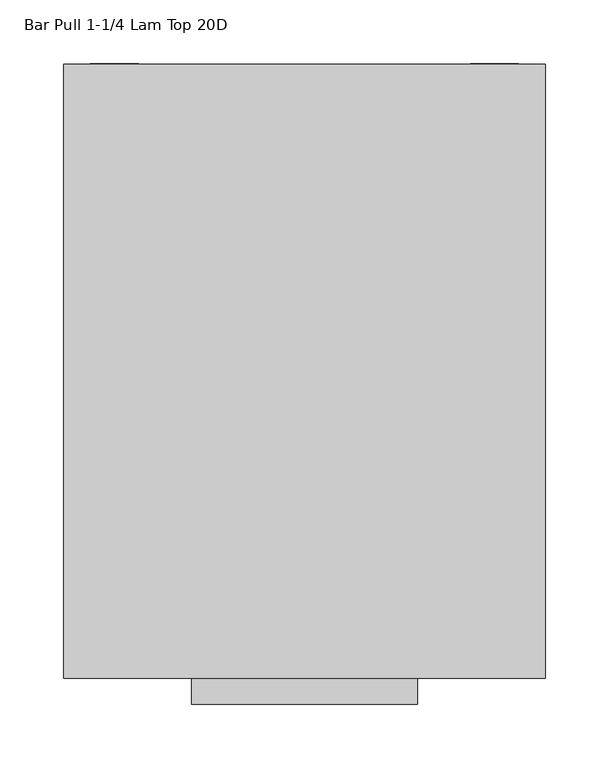
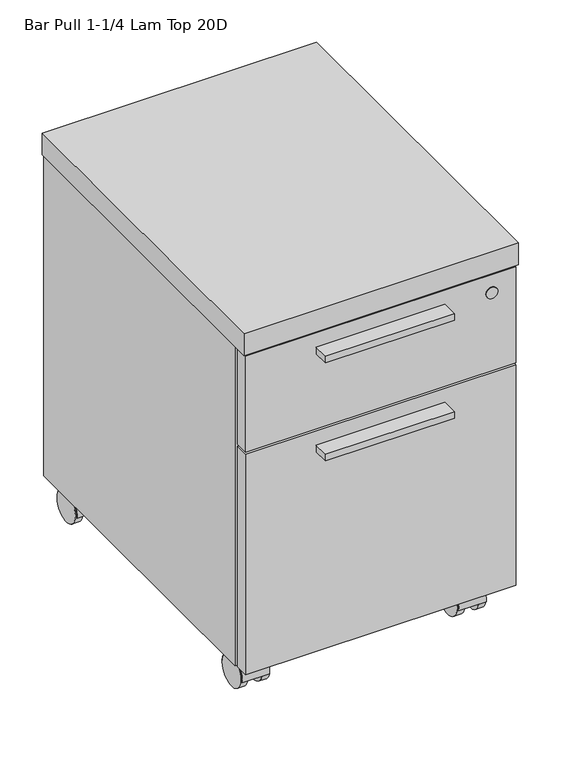
"""IFC4 building model written with IfcOpenShell, lengths in millimetres: furniture geometry, Bar Pull 1-1/4 Lam Top 20D."""

from ifc_helpers import new_model, si_unit, point, frame, frame_2d, origin, place, context, project, spatial, polyline, circle_curve, trimmed, segment, composite_curve, outline, extrude, source, transform, mapped, element, save
from ifc_brep_helpers import plane_surface, revolved_surface, advanced_brep


def bar_pull_1_1_4_lam_top_20d_2d6b6153(model_context):
    return source(origin(), model_context, "Body", "SolidModel", [
        extrude(outline(composite_curve([segment(trimmed(circle_curve(frame_2d((38.552757, -443.2433984)), 2.8952236), [point((35.6575335, -443.2433984))], [point((41.4479806, -443.2433984))], False, "CARTESIAN"), True, "CONTINUOUS"), segment(trimmed(circle_curve(frame_2d((38.552757, -443.2433984)), 2.8952236), [point((41.4479806, -443.2433984))], [point((35.6575335, -443.2433984))], False, "CARTESIAN"), True, "CONTINUOUS")], self_intersect=False)), frame((0.0, 0.0, 47.4178766), z_axis=(0.0, 0.0, 1.0), x_axis=(1.0, 0.0, 0.0)), (0.0, 0.0, 1.0), 2.54),
        extrude(outline(composite_curve([segment(trimmed(circle_curve(frame_2d((38.552757, -443.5086607)), 7.4123574), [point((31.1403996, -443.5086607))], [point((45.9651144, -443.5086607))], False, "CARTESIAN"), True, "CONTINUOUS"), segment(trimmed(circle_curve(frame_2d((38.552757, -443.5086607)), 7.4123574), [point((45.9651144, -443.5086607))], [point((31.1403996, -443.5086607))], False, "CARTESIAN"), True, "CONTINUOUS")], self_intersect=False)), frame((0.0, 0.0, 49.9578766), z_axis=(0.0, 0.0, 1.0), x_axis=(1.0, 0.0, 0.0)), (0.0, 0.0, 1.0), 4.7226624),
        advanced_brep(
        [(30.3783996, -443.5086607, 54.680539), (46.7271144, -443.5086607, 54.680539), (25.852757, -443.5086607, 57.5818), (51.252757, -443.5086607, 57.5818)],
        [
            (0, 1, circle_curve(frame((38.552757, -443.5086607, 54.680539), z_axis=(0.0, 0.0, -1.0), x_axis=(-1.0, 0.0, 0.0)), 8.1743574)),
            (1, 0, circle_curve(frame((38.552757, -443.5086607, 54.680539), z_axis=(0.0, 0.0, -1.0), x_axis=(1.0, 0.0, 0.0)), 8.1743574)),
            (2, 3, circle_curve(frame((38.552757, -443.5086607, 57.5818), z_axis=(0.0, 0.0, 1.0), x_axis=(1.0, 0.0, 0.0)), 12.7)),
            (3, 2, circle_curve(frame((38.552757, -443.5086607, 57.5818), z_axis=(0.0, 0.0, 1.0), x_axis=(-1.0, 0.0, 0.0)), 12.7)),
            (2, 0),
            (1, 3),
        ],
        [
            plane_surface(frame((38.552757, -443.5086607, 54.680539), z_axis=(0.0, 0.0, -1.0), x_axis=(0.0, -1.0, 0.0))),
            plane_surface(frame((38.552757, -443.5086607, 57.5818), z_axis=(0.0, 0.0, 1.0), x_axis=(0.0, -1.0, 0.0))),
            revolved_surface(polyline([(46.72711441053413, -443.5086607, 54.680539), (51.252757, -443.5086607, 57.5818)]), (38.552757, -443.5086607, 49.4401905), (0.0, 0.0, 1.0)),
            revolved_surface(polyline([(30.378399589465875, -443.5086607, 54.680539), (25.852757, -443.5086607, 57.5818)]), (38.552757, -443.5086607, 49.4401905), (0.0, 0.0, 1.0)),
        ],
        [
            (0, [[1, 2]]),
            (1, [[3, 4]]),
            (2, [[-3, 5, -2, 6]]),
            (3, [[-4, -6, -1, -5]]),
        ],
    ),
        extrude(outline(composite_curve([segment(trimmed(circle_curve(frame_2d((38.552757, -443.2781099)), 6.0714648), [point((32.4812922, -443.2781099))], [point((44.6242219, -443.2781099))], False, "CARTESIAN"), True, "CONTINUOUS"), segment(trimmed(circle_curve(frame_2d((38.552757, -443.2781099)), 6.0714648), [point((44.6242219, -443.2781099))], [point((32.4812922, -443.2781099))], False, "CARTESIAN"), True, "CONTINUOUS")], self_intersect=False)), frame((0.0, 0.0, 31.6701308), z_axis=(0.0, 0.0, 1.0), x_axis=(1.0, 0.0, 0.0)), (0.0, 0.0, 1.0), 15.7477457),
        extrude(outline(composite_curve([segment(polyline([(-401.009387, 18.6856043), (-402.0037644, 18.6856043)]), True, "CONTINUOUS"), segment(trimmed(circle_curve(frame_2d((-424.6129713, 22.0624907)), 22.86), [point((-402.0037644, 18.6856043))], [point((-447.2221782, 18.6856043))], True, "CARTESIAN"), True, "CONTINUOUS"), segment(polyline([(-447.2221782, 18.6856043), (-448.2152732, 18.6856043)]), True, "CONTINUOUS"), segment(trimmed(circle_curve(frame_2d((-424.6123301, 22.0624907)), 23.8432859), [point((-448.2152732, 18.6856043))], [point((-401.009387, 18.6856043))], False, "CARTESIAN"), True, "CONTINUOUS")], self_intersect=False)), frame((19.558, 0.0, 0.0), z_axis=(1.0, 0.0, 0.0), x_axis=(0.0, 1.0, 0.0)), (0.0, 0.0, 1.0), 37.9984),
        extrude(outline(composite_curve([segment(trimmed(circle_curve(frame_2d((-424.6129713, 21.9964)), 21.9964), [point((-402.6165713, 21.9964))], [point((-446.6093713, 21.9964))], False, "CARTESIAN"), True, "CONTINUOUS"), segment(trimmed(circle_curve(frame_2d((-424.6129713, 21.9964)), 21.9964), [point((-446.6093713, 21.9964))], [point((-402.6165713, 21.9964))], False, "CARTESIAN"), True, "CONTINUOUS")], self_intersect=False)), frame((18.448657, 0.0, 0.0), z_axis=(1.0, 0.0, 0.0), x_axis=(0.0, 1.0, 0.0)), (0.0, 0.0, 1.0), 10.16),
        extrude(outline(composite_curve([segment(trimmed(circle_curve(frame_2d((-424.6129713, 21.9964)), 21.9964), [point((-402.6165713, 21.9964))], [point((-446.6093713, 21.9964))], False, "CARTESIAN"), True, "CONTINUOUS"), segment(trimmed(circle_curve(frame_2d((-424.6129713, 21.9964)), 21.9964), [point((-446.6093713, 21.9964))], [point((-402.6165713, 21.9964))], False, "CARTESIAN"), True, "CONTINUOUS")], self_intersect=False)), frame((48.496857, 0.0, 0.0), z_axis=(1.0, 0.0, 0.0), x_axis=(0.0, 1.0, 0.0)), (0.0, 0.0, 1.0), 10.16),
        extrude(outline(composite_curve([segment(trimmed(circle_curve(frame_2d((52.5526, -429.6167713)), 5.0038), [point((52.5526, -424.6129713))], [point((57.5564, -429.6167713))], False, "CARTESIAN"), True, "CONTINUOUS"), segment(polyline([(57.5564, -429.6167713), (57.5564, -457.6075713)]), True, "CONTINUOUS"), segment(trimmed(circle_curve(frame_2d((52.5526, -457.6075713)), 5.0038), [point((57.5564, -457.6075713))], [point((52.5526, -462.6113713))], False, "CARTESIAN"), True, "CONTINUOUS"), segment(polyline([(52.5526, -462.6113713), (24.5618, -462.6113713)]), True, "CONTINUOUS"), segment(trimmed(circle_curve(frame_2d((24.5618, -457.6075713)), 5.0038), [point((24.5618, -462.6113713))], [point((19.558, -457.6075713))], False, "CARTESIAN"), True, "CONTINUOUS"), segment(polyline([(19.558, -457.6075713), (19.558, -429.6167713)]), True, "CONTINUOUS"), segment(trimmed(circle_curve(frame_2d((24.5618, -429.6167713)), 5.0038), [point((19.558, -429.6167713))], [point((24.5618, -424.6129713))], False, "CARTESIAN"), True, "CONTINUOUS"), segment(polyline([(24.5618, -424.6129713), (52.5526, -424.6129713)]), True, "CONTINUOUS")], self_intersect=False)), frame((0.0, 0.0, 57.5818), z_axis=(0.0, 0.0, 1.0), x_axis=(1.0, 0.0, 0.0)), (0.0, 0.0, 1.0), 2.0066),
        extrude(outline(composite_curve([segment(trimmed(circle_curve(frame_2d((337.358357, -443.2433984)), 2.8952236), [point((334.4631335, -443.2433984))], [point((340.2535806, -443.2433984))], False, "CARTESIAN"), True, "CONTINUOUS"), segment(trimmed(circle_curve(frame_2d((337.358357, -443.2433984)), 2.8952236), [point((340.2535806, -443.2433984))], [point((334.4631335, -443.2433984))], False, "CARTESIAN"), True, "CONTINUOUS")], self_intersect=False)), frame((0.0, 0.0, 47.4178766), z_axis=(0.0, 0.0, 1.0), x_axis=(1.0, 0.0, 0.0)), (0.0, 0.0, 1.0), 2.54),
        extrude(outline(composite_curve([segment(trimmed(circle_curve(frame_2d((337.358357, -443.5086607)), 7.4123574), [point((329.9459996, -443.5086607))], [point((344.7707144, -443.5086607))], False, "CARTESIAN"), True, "CONTINUOUS"), segment(trimmed(circle_curve(frame_2d((337.358357, -443.5086607)), 7.4123574), [point((344.7707144, -443.5086607))], [point((329.9459996, -443.5086607))], False, "CARTESIAN"), True, "CONTINUOUS")], self_intersect=False)), frame((0.0, 0.0, 49.9578766), z_axis=(0.0, 0.0, 1.0), x_axis=(1.0, 0.0, 0.0)), (0.0, 0.0, 1.0), 4.7226624),
        advanced_brep(
        [(329.1839996, -443.5086607, 54.680539), (345.5327144, -443.5086607, 54.680539), (324.658357, -443.5086607, 57.5818), (350.058357, -443.5086607, 57.5818)],
        [
            (0, 1, circle_curve(frame((337.358357, -443.5086607, 54.680539), z_axis=(0.0, 0.0, -1.0), x_axis=(-1.0, 0.0, 0.0)), 8.1743574)),
            (1, 0, circle_curve(frame((337.358357, -443.5086607, 54.680539), z_axis=(0.0, 0.0, -1.0), x_axis=(1.0, 0.0, 0.0)), 8.1743574)),
            (2, 3, circle_curve(frame((337.358357, -443.5086607, 57.5818), z_axis=(0.0, 0.0, 1.0), x_axis=(1.0, 0.0, 0.0)), 12.7)),
            (3, 2, circle_curve(frame((337.358357, -443.5086607, 57.5818), z_axis=(0.0, 0.0, 1.0), x_axis=(-1.0, 0.0, 0.0)), 12.7)),
            (2, 0),
            (1, 3),
        ],
        [
            plane_surface(frame((337.358357, -443.5086607, 54.680539), z_axis=(0.0, 0.0, -1.0), x_axis=(0.0, -1.0, 0.0))),
            plane_surface(frame((337.358357, -443.5086607, 57.5818), z_axis=(0.0, 0.0, 1.0), x_axis=(0.0, -1.0, 0.0))),
            revolved_surface(polyline([(345.53271441053414, -443.5086607, 54.680539), (350.058357, -443.5086607, 57.5818)]), (337.358357, -443.5086607, 49.4401905), (0.0, 0.0, 1.0)),
            revolved_surface(polyline([(329.1839995894659, -443.5086607, 54.680539), (324.658357, -443.5086607, 57.5818)]), (337.358357, -443.5086607, 49.4401905), (0.0, 0.0, 1.0)),
        ],
        [
            (0, [[1, 2]]),
            (1, [[3, 4]]),
            (2, [[-3, 5, -2, 6]]),
            (3, [[-4, -6, -1, -5]]),
        ],
    ),
        extrude(outline(composite_curve([segment(trimmed(circle_curve(frame_2d((337.358357, -443.2781099)), 6.0714648), [point((331.2868922, -443.2781099))], [point((343.4298219, -443.2781099))], False, "CARTESIAN"), True, "CONTINUOUS"), segment(trimmed(circle_curve(frame_2d((337.358357, -443.2781099)), 6.0714648), [point((343.4298219, -443.2781099))], [point((331.2868922, -443.2781099))], False, "CARTESIAN"), True, "CONTINUOUS")], self_intersect=False)), frame((0.0, 0.0, 31.6701308), z_axis=(0.0, 0.0, 1.0), x_axis=(1.0, 0.0, 0.0)), (0.0, 0.0, 1.0), 15.7477457),
        extrude(outline(composite_curve([segment(polyline([(-401.009387, 18.6856043), (-402.0037644, 18.6856043)]), True, "CONTINUOUS"), segment(trimmed(circle_curve(frame_2d((-424.6129713, 22.0624907)), 22.86), [point((-402.0037644, 18.6856043))], [point((-447.2221782, 18.6856043))], True, "CARTESIAN"), True, "CONTINUOUS"), segment(polyline([(-447.2221782, 18.6856043), (-448.2152732, 18.6856043)]), True, "CONTINUOUS"), segment(trimmed(circle_curve(frame_2d((-424.6123301, 22.0624907)), 23.8432859), [point((-448.2152732, 18.6856043))], [point((-401.009387, 18.6856043))], False, "CARTESIAN"), True, "CONTINUOUS")], self_intersect=False)), frame((318.3636, 0.0, 0.0), z_axis=(1.0, 0.0, 0.0), x_axis=(0.0, 1.0, 0.0)), (0.0, 0.0, 1.0), 37.9984),
        extrude(outline(composite_curve([segment(trimmed(circle_curve(frame_2d((-424.6129713, 21.9964)), 21.9964), [point((-402.6165713, 21.9964))], [point((-446.6093713, 21.9964))], False, "CARTESIAN"), True, "CONTINUOUS"), segment(trimmed(circle_curve(frame_2d((-424.6129713, 21.9964)), 21.9964), [point((-446.6093713, 21.9964))], [point((-402.6165713, 21.9964))], False, "CARTESIAN"), True, "CONTINUOUS")], self_intersect=False)), frame((317.254257, 0.0, 0.0), z_axis=(1.0, 0.0, 0.0), x_axis=(0.0, 1.0, 0.0)), (0.0, 0.0, 1.0), 10.16),
        extrude(outline(composite_curve([segment(trimmed(circle_curve(frame_2d((-424.6129713, 21.9964)), 21.9964), [point((-402.6165713, 21.9964))], [point((-446.6093713, 21.9964))], False, "CARTESIAN"), True, "CONTINUOUS"), segment(trimmed(circle_curve(frame_2d((-424.6129713, 21.9964)), 21.9964), [point((-446.6093713, 21.9964))], [point((-402.6165713, 21.9964))], False, "CARTESIAN"), True, "CONTINUOUS")], self_intersect=False)), frame((347.302457, 0.0, 0.0), z_axis=(1.0, 0.0, 0.0), x_axis=(0.0, 1.0, 0.0)), (0.0, 0.0, 1.0), 10.16),
        extrude(outline(composite_curve([segment(trimmed(circle_curve(frame_2d((351.3582, -429.6167713)), 5.0038), [point((351.3582, -424.6129713))], [point((356.362, -429.6167713))], False, "CARTESIAN"), True, "CONTINUOUS"), segment(polyline([(356.362, -429.6167713), (356.362, -457.6075713)]), True, "CONTINUOUS"), segment(trimmed(circle_curve(frame_2d((351.3582, -457.6075713)), 5.0038), [point((356.362, -457.6075713))], [point((351.3582, -462.6113713))], False, "CARTESIAN"), True, "CONTINUOUS"), segment(polyline([(351.3582, -462.6113713), (323.3674, -462.6113713)]), True, "CONTINUOUS"), segment(trimmed(circle_curve(frame_2d((323.3674, -457.6075713)), 5.0038), [point((323.3674, -462.6113713))], [point((318.3636, -457.6075713))], False, "CARTESIAN"), True, "CONTINUOUS"), segment(polyline([(318.3636, -457.6075713), (318.3636, -429.6167713)]), True, "CONTINUOUS"), segment(trimmed(circle_curve(frame_2d((323.3674, -429.6167713)), 5.0038), [point((318.3636, -429.6167713))], [point((323.3674, -424.6129713))], False, "CARTESIAN"), True, "CONTINUOUS"), segment(polyline([(323.3674, -424.6129713), (351.3582, -424.6129713)]), True, "CONTINUOUS")], self_intersect=False)), frame((0.0, 0.0, 57.5818), z_axis=(0.0, 0.0, 1.0), x_axis=(1.0, 0.0, 0.0)), (0.0, 0.0, 1.0), 2.0066),
        extrude(outline(composite_curve([segment(trimmed(circle_curve(frame_2d((337.358357, -48.4257984)), 2.8952236), [point((334.4631335, -48.4257984))], [point((340.2535806, -48.4257984))], False, "CARTESIAN"), True, "CONTINUOUS"), segment(trimmed(circle_curve(frame_2d((337.358357, -48.4257984)), 2.8952236), [point((340.2535806, -48.4257984))], [point((334.4631335, -48.4257984))], False, "CARTESIAN"), True, "CONTINUOUS")], self_intersect=False)), frame((0.0, 0.0, 47.4178766), z_axis=(0.0, 0.0, 1.0), x_axis=(1.0, 0.0, 0.0)), (0.0, 0.0, 1.0), 2.54),
        extrude(outline(composite_curve([segment(trimmed(circle_curve(frame_2d((337.358357, -48.6910607)), 7.4123574), [point((329.9459996, -48.6910607))], [point((344.7707144, -48.6910607))], False, "CARTESIAN"), True, "CONTINUOUS"), segment(trimmed(circle_curve(frame_2d((337.358357, -48.6910607)), 7.4123574), [point((344.7707144, -48.6910607))], [point((329.9459996, -48.6910607))], False, "CARTESIAN"), True, "CONTINUOUS")], self_intersect=False)), frame((0.0, 0.0, 49.9578766), z_axis=(0.0, 0.0, 1.0), x_axis=(1.0, 0.0, 0.0)), (0.0, 0.0, 1.0), 4.7226624),
        advanced_brep(
        [(329.1839996, -48.6910607, 54.680539), (345.5327144, -48.6910607, 54.680539), (324.658357, -48.6910607, 57.5818), (350.058357, -48.6910607, 57.5818)],
        [
            (0, 1, circle_curve(frame((337.358357, -48.6910607, 54.680539), z_axis=(0.0, 0.0, -1.0), x_axis=(-1.0, 0.0, 0.0)), 8.1743574)),
            (1, 0, circle_curve(frame((337.358357, -48.6910607, 54.680539), z_axis=(0.0, 0.0, -1.0), x_axis=(1.0, 0.0, 0.0)), 8.1743574)),
            (2, 3, circle_curve(frame((337.358357, -48.6910607, 57.5818), z_axis=(0.0, 0.0, 1.0), x_axis=(1.0, 0.0, 0.0)), 12.7)),
            (3, 2, circle_curve(frame((337.358357, -48.6910607, 57.5818), z_axis=(0.0, 0.0, 1.0), x_axis=(-1.0, 0.0, 0.0)), 12.7)),
            (2, 0),
            (1, 3),
        ],
        [
            plane_surface(frame((337.358357, -48.6910607, 54.680539), z_axis=(0.0, 0.0, -1.0), x_axis=(0.0, -1.0, 0.0))),
            plane_surface(frame((337.358357, -48.6910607, 57.5818), z_axis=(0.0, 0.0, 1.0), x_axis=(0.0, -1.0, 0.0))),
            revolved_surface(polyline([(345.53271441053414, -48.6910607, 54.680539), (350.058357, -48.6910607, 57.5818)]), (337.358357, -48.6910607, 49.4401905), (0.0, 0.0, 1.0)),
            revolved_surface(polyline([(329.1839995894659, -48.6910607, 54.680539), (324.658357, -48.6910607, 57.5818)]), (337.358357, -48.6910607, 49.4401905), (0.0, 0.0, 1.0)),
        ],
        [
            (0, [[1, 2]]),
            (1, [[3, 4]]),
            (2, [[-3, 5, -2, 6]]),
            (3, [[-4, -6, -1, -5]]),
        ],
    ),
        extrude(outline(composite_curve([segment(trimmed(circle_curve(frame_2d((337.358357, -48.4605099)), 6.0714648), [point((331.2868922, -48.4605099))], [point((343.4298219, -48.4605099))], False, "CARTESIAN"), True, "CONTINUOUS"), segment(trimmed(circle_curve(frame_2d((337.358357, -48.4605099)), 6.0714648), [point((343.4298219, -48.4605099))], [point((331.2868922, -48.4605099))], False, "CARTESIAN"), True, "CONTINUOUS")], self_intersect=False)), frame((0.0, 0.0, 31.6701308), z_axis=(0.0, 0.0, 1.0), x_axis=(1.0, 0.0, 0.0)), (0.0, 0.0, 1.0), 15.7477457),
        extrude(outline(composite_curve([segment(polyline([(-6.191787, 18.6856043), (-7.1861644, 18.6856043)]), True, "CONTINUOUS"), segment(trimmed(circle_curve(frame_2d((-29.7953713, 22.0624907)), 22.86), [point((-7.1861644, 18.6856043))], [point((-52.4045782, 18.6856043))], True, "CARTESIAN"), True, "CONTINUOUS"), segment(polyline([(-52.4045782, 18.6856043), (-53.3976732, 18.6856043)]), True, "CONTINUOUS"), segment(trimmed(circle_curve(frame_2d((-29.7947301, 22.0624907)), 23.8432859), [point((-53.3976732, 18.6856043))], [point((-6.191787, 18.6856043))], False, "CARTESIAN"), True, "CONTINUOUS")], self_intersect=False)), frame((318.3636, 0.0, 0.0), z_axis=(1.0, 0.0, 0.0), x_axis=(0.0, 1.0, 0.0)), (0.0, 0.0, 1.0), 37.9984),
        extrude(outline(composite_curve([segment(trimmed(circle_curve(frame_2d((-29.7953713, 21.9964)), 21.9964), [point((-7.7989713, 21.9964))], [point((-51.7917713, 21.9964))], False, "CARTESIAN"), True, "CONTINUOUS"), segment(trimmed(circle_curve(frame_2d((-29.7953713, 21.9964)), 21.9964), [point((-51.7917713, 21.9964))], [point((-7.7989713, 21.9964))], False, "CARTESIAN"), True, "CONTINUOUS")], self_intersect=False)), frame((317.254257, 0.0, 0.0), z_axis=(1.0, 0.0, 0.0), x_axis=(0.0, 1.0, 0.0)), (0.0, 0.0, 1.0), 10.16),
        extrude(outline(composite_curve([segment(trimmed(circle_curve(frame_2d((-29.7953713, 21.9964)), 21.9964), [point((-7.7989713, 21.9964))], [point((-51.7917713, 21.9964))], False, "CARTESIAN"), True, "CONTINUOUS"), segment(trimmed(circle_curve(frame_2d((-29.7953713, 21.9964)), 21.9964), [point((-51.7917713, 21.9964))], [point((-7.7989713, 21.9964))], False, "CARTESIAN"), True, "CONTINUOUS")], self_intersect=False)), frame((347.302457, 0.0, 0.0), z_axis=(1.0, 0.0, 0.0), x_axis=(0.0, 1.0, 0.0)), (0.0, 0.0, 1.0), 10.16),
        extrude(outline(composite_curve([segment(trimmed(circle_curve(frame_2d((351.3582, -34.7991713)), 5.0038), [point((351.3582, -29.7953713))], [point((356.362, -34.7991713))], False, "CARTESIAN"), True, "CONTINUOUS"), segment(polyline([(356.362, -34.7991713), (356.362, -62.7899713)]), True, "CONTINUOUS"), segment(trimmed(circle_curve(frame_2d((351.3582, -62.7899713)), 5.0038), [point((356.362, -62.7899713))], [point((351.3582, -67.7937713))], False, "CARTESIAN"), True, "CONTINUOUS"), segment(polyline([(351.3582, -67.7937713), (323.3674, -67.7937713)]), True, "CONTINUOUS"), segment(trimmed(circle_curve(frame_2d((323.3674, -62.7899713)), 5.0038), [point((323.3674, -67.7937713))], [point((318.3636, -62.7899713))], False, "CARTESIAN"), True, "CONTINUOUS"), segment(polyline([(318.3636, -62.7899713), (318.3636, -34.7991713)]), True, "CONTINUOUS"), segment(trimmed(circle_curve(frame_2d((323.3674, -34.7991713)), 5.0038), [point((318.3636, -34.7991713))], [point((323.3674, -29.7953713))], False, "CARTESIAN"), True, "CONTINUOUS"), segment(polyline([(323.3674, -29.7953713), (351.3582, -29.7953713)]), True, "CONTINUOUS")], self_intersect=False)), frame((0.0, 0.0, 57.5818), z_axis=(0.0, 0.0, 1.0), x_axis=(1.0, 0.0, 0.0)), (0.0, 0.0, 1.0), 2.0066),
        extrude(outline(composite_curve([segment(trimmed(circle_curve(frame_2d((38.552757, -48.4257984)), 2.8952236), [point((35.6575335, -48.4257984))], [point((41.4479806, -48.4257984))], False, "CARTESIAN"), True, "CONTINUOUS"), segment(trimmed(circle_curve(frame_2d((38.552757, -48.4257984)), 2.8952236), [point((41.4479806, -48.4257984))], [point((35.6575335, -48.4257984))], False, "CARTESIAN"), True, "CONTINUOUS")], self_intersect=False)), frame((0.0, 0.0, 47.4178766), z_axis=(0.0, 0.0, 1.0), x_axis=(1.0, 0.0, 0.0)), (0.0, 0.0, 1.0), 2.54),
        extrude(outline(composite_curve([segment(trimmed(circle_curve(frame_2d((38.552757, -48.6910607)), 7.4123574), [point((31.1403996, -48.6910607))], [point((45.9651144, -48.6910607))], False, "CARTESIAN"), True, "CONTINUOUS"), segment(trimmed(circle_curve(frame_2d((38.552757, -48.6910607)), 7.4123574), [point((45.9651144, -48.6910607))], [point((31.1403996, -48.6910607))], False, "CARTESIAN"), True, "CONTINUOUS")], self_intersect=False)), frame((0.0, 0.0, 49.9578766), z_axis=(0.0, 0.0, 1.0), x_axis=(1.0, 0.0, 0.0)), (0.0, 0.0, 1.0), 4.7226624),
        advanced_brep(
        [(30.3783996, -48.6910607, 54.680539), (46.7271144, -48.6910607, 54.680539), (25.852757, -48.6910607, 57.5818), (51.252757, -48.6910607, 57.5818)],
        [
            (0, 1, circle_curve(frame((38.552757, -48.6910607, 54.680539), z_axis=(0.0, 0.0, -1.0), x_axis=(-1.0, 0.0, 0.0)), 8.1743574)),
            (1, 0, circle_curve(frame((38.552757, -48.6910607, 54.680539), z_axis=(0.0, 0.0, -1.0), x_axis=(1.0, 0.0, 0.0)), 8.1743574)),
            (2, 3, circle_curve(frame((38.552757, -48.6910607, 57.5818), z_axis=(0.0, 0.0, 1.0), x_axis=(1.0, 0.0, 0.0)), 12.7)),
            (3, 2, circle_curve(frame((38.552757, -48.6910607, 57.5818), z_axis=(0.0, 0.0, 1.0), x_axis=(-1.0, 0.0, 0.0)), 12.7)),
            (2, 0),
            (1, 3),
        ],
        [
            plane_surface(frame((38.552757, -48.6910607, 54.680539), z_axis=(0.0, 0.0, -1.0), x_axis=(0.0, -1.0, 0.0))),
            plane_surface(frame((38.552757, -48.6910607, 57.5818), z_axis=(0.0, 0.0, 1.0), x_axis=(0.0, -1.0, 0.0))),
            revolved_surface(polyline([(46.72711441053413, -48.6910607, 54.680539), (51.252757, -48.6910607, 57.5818)]), (38.552757, -48.6910607, 49.4401905), (0.0, 0.0, 1.0)),
            revolved_surface(polyline([(30.378399589465875, -48.6910607, 54.680539), (25.852757, -48.6910607, 57.5818)]), (38.552757, -48.6910607, 49.4401905), (0.0, 0.0, 1.0)),
        ],
        [
            (0, [[1, 2]]),
            (1, [[3, 4]]),
            (2, [[-3, 5, -2, 6]]),
            (3, [[-4, -6, -1, -5]]),
        ],
    ),
        extrude(outline(composite_curve([segment(trimmed(circle_curve(frame_2d((38.552757, -48.4605099)), 6.0714648), [point((32.4812922, -48.4605099))], [point((44.6242219, -48.4605099))], False, "CARTESIAN"), True, "CONTINUOUS"), segment(trimmed(circle_curve(frame_2d((38.552757, -48.4605099)), 6.0714648), [point((44.6242219, -48.4605099))], [point((32.4812922, -48.4605099))], False, "CARTESIAN"), True, "CONTINUOUS")], self_intersect=False)), frame((0.0, 0.0, 31.6701308), z_axis=(0.0, 0.0, 1.0), x_axis=(1.0, 0.0, 0.0)), (0.0, 0.0, 1.0), 15.7477457),
        extrude(outline(composite_curve([segment(polyline([(-6.191787, 18.6856043), (-7.1861644, 18.6856043)]), True, "CONTINUOUS"), segment(trimmed(circle_curve(frame_2d((-29.7953713, 22.0624907)), 22.86), [point((-7.1861644, 18.6856043))], [point((-52.4045782, 18.6856043))], True, "CARTESIAN"), True, "CONTINUOUS"), segment(polyline([(-52.4045782, 18.6856043), (-53.3976732, 18.6856043)]), True, "CONTINUOUS"), segment(trimmed(circle_curve(frame_2d((-29.7947301, 22.0624907)), 23.8432859), [point((-53.3976732, 18.6856043))], [point((-6.191787, 18.6856043))], False, "CARTESIAN"), True, "CONTINUOUS")], self_intersect=False)), frame((19.558, 0.0, 0.0), z_axis=(1.0, 0.0, 0.0), x_axis=(0.0, 1.0, 0.0)), (0.0, 0.0, 1.0), 37.9984),
        extrude(outline(composite_curve([segment(trimmed(circle_curve(frame_2d((-29.7953713, 21.9964)), 21.9964), [point((-7.7989713, 21.9964))], [point((-51.7917713, 21.9964))], False, "CARTESIAN"), True, "CONTINUOUS"), segment(trimmed(circle_curve(frame_2d((-29.7953713, 21.9964)), 21.9964), [point((-51.7917713, 21.9964))], [point((-7.7989713, 21.9964))], False, "CARTESIAN"), True, "CONTINUOUS")], self_intersect=False)), frame((18.448657, 0.0, 0.0), z_axis=(1.0, 0.0, 0.0), x_axis=(0.0, 1.0, 0.0)), (0.0, 0.0, 1.0), 10.16),
        extrude(outline(composite_curve([segment(trimmed(circle_curve(frame_2d((-29.7953713, 21.9964)), 21.9964), [point((-7.7989713, 21.9964))], [point((-51.7917713, 21.9964))], False, "CARTESIAN"), True, "CONTINUOUS"), segment(trimmed(circle_curve(frame_2d((-29.7953713, 21.9964)), 21.9964), [point((-51.7917713, 21.9964))], [point((-7.7989713, 21.9964))], False, "CARTESIAN"), True, "CONTINUOUS")], self_intersect=False)), frame((48.496857, 0.0, 0.0), z_axis=(1.0, 0.0, 0.0), x_axis=(0.0, 1.0, 0.0)), (0.0, 0.0, 1.0), 10.16),
        extrude(outline(composite_curve([segment(trimmed(circle_curve(frame_2d((52.5526, -34.7991713)), 5.0038), [point((52.5526, -29.7953713))], [point((57.5564, -34.7991713))], False, "CARTESIAN"), True, "CONTINUOUS"), segment(polyline([(57.5564, -34.7991713), (57.5564, -62.7899713)]), True, "CONTINUOUS"), segment(trimmed(circle_curve(frame_2d((52.5526, -62.7899713)), 5.0038), [point((57.5564, -62.7899713))], [point((52.5526, -67.7937713))], False, "CARTESIAN"), True, "CONTINUOUS"), segment(polyline([(52.5526, -67.7937713), (24.5618, -67.7937713)]), True, "CONTINUOUS"), segment(trimmed(circle_curve(frame_2d((24.5618, -62.7899713)), 5.0038), [point((24.5618, -67.7937713))], [point((19.558, -62.7899713))], False, "CARTESIAN"), True, "CONTINUOUS"), segment(polyline([(19.558, -62.7899713), (19.558, -34.7991713)]), True, "CONTINUOUS"), segment(trimmed(circle_curve(frame_2d((24.5618, -34.7991713)), 5.0038), [point((19.558, -34.7991713))], [point((24.5618, -29.7953713))], False, "CARTESIAN"), True, "CONTINUOUS"), segment(polyline([(24.5618, -29.7953713), (52.5526, -29.7953713)]), True, "CONTINUOUS")], self_intersect=False)), frame((0.0, 0.0, 57.5818), z_axis=(0.0, 0.0, 1.0), x_axis=(1.0, 0.0, 0.0)), (0.0, 0.0, 1.0), 2.0066),
        extrude(outline(polyline([(276.86, -509.7283713), (99.06, -509.7283713), (99.06, -487.5033713), (276.86, -487.5033713), (276.86, -509.7283713)])), frame((0.0, 0.0, 351.6757), z_axis=(0.0, 0.0, 1.0), x_axis=(1.0, 0.0, 0.0)), (0.0, 0.0, 1.0), 9.525),
        extrude(outline(polyline([(276.86, -509.7283713), (99.06, -509.7283713), (99.06, -487.5033713), (276.86, -487.5033713), (276.86, -509.7283713)])), frame((0.0, 0.0, 494.4491), z_axis=(0.0, 0.0, 1.0), x_axis=(1.0, 0.0, 0.0)), (0.0, 0.0, 1.0), 9.525),
        extrude(outline(polyline([(374.3325, -468.1993713), (374.3325, -487.5033713), (1.5875, -487.5033713), (1.5875, -468.1993713), (374.3325, -468.1993713)])), frame((0.0, 0.0, 60.0202), z_axis=(0.0, 0.0, 1.0), x_axis=(1.0, 0.0, 0.0)), (0.0, 0.0, 1.0), 321.818),
        extrude(outline(polyline([(374.3325, -487.5033713), (1.5875, -487.5033713), (1.5875, -468.1993713), (374.3325, -468.1993713), (374.3325, -487.5033713)])), frame((0.0, 0.0, 385.0132), z_axis=(0.0, 0.0, 1.0), x_axis=(1.0, 0.0, 0.0)), (0.0, 0.0, 1.0), 139.5984),
        extrude(outline(polyline([(377.5075, -6.4908713), (377.5075, -489.0908713), (-1.5875, -489.0908713), (-1.5875, -6.4908713), (377.5075, -6.4908713)])), frame((0.0, 0.0, 527.7866), z_axis=(0.0, 0.0, 1.0), x_axis=(1.0, 0.0, 0.0)), (0.0, 0.0, 1.0), 31.75),
        extrude(outline(polyline([(356.616, -29.0460713), (356.616, -445.7203713), (19.304, -445.7203713), (19.304, -29.0460713), (356.616, -29.0460713)])), frame((0.0, 0.0, 60.0202), z_axis=(0.0, 0.0, 1.0), x_axis=(1.0, 0.0, 0.0)), (0.0, 0.0, 1.0), 467.7664),
        extrude(outline(polyline([(356.616, -9.7420713), (356.616, -29.0460713), (19.304, -29.0460713), (19.304, -9.7420713), (356.616, -9.7420713)])), frame((0.0, 0.0, 60.2742), z_axis=(0.0, 0.0, 1.0), x_axis=(1.0, 0.0, 0.0)), (0.0, 0.0, 1.0), 467.5124),
        extrude(outline(composite_curve([segment(trimmed(circle_curve(frame_2d((499.2116, 340.995)), 8.001), [point((499.2116, 332.994))], [point((499.2116, 348.996))], False, "CARTESIAN"), True, "CONTINUOUS"), segment(trimmed(circle_curve(frame_2d((499.2116, 340.995)), 8.001), [point((499.2116, 348.996))], [point((499.2116, 332.994))], False, "CARTESIAN"), True, "CONTINUOUS")], self_intersect=False)), frame((0.0, -489.0908713, 0.0), z_axis=(0.0, 1.0, 0.0), x_axis=(0.0, 0.0, 1.0)), (0.0, 0.0, 1.0), 1.5875),
        extrude(outline(polyline([(356.616, -445.7203713), (356.616, -465.0243713), (19.304, -465.0243713), (19.304, -445.7203713), (356.616, -445.7203713)])), frame((0.0, 0.0, 60.2742), z_axis=(0.0, 0.0, 1.0), x_axis=(1.0, 0.0, 0.0)), (0.0, 0.0, 1.0), 467.5124),
        extrude(outline(polyline([(19.304, -8.0783713), (19.304, -465.0243713), (0.0, -465.0243713), (0.0, -8.0783713), (19.304, -8.0783713)])), frame((0.0, 0.0, 60.2742), z_axis=(0.0, 0.0, 1.0), x_axis=(1.0, 0.0, 0.0)), (0.0, 0.0, 1.0), 467.5124),
        extrude(outline(polyline([(375.92, -8.0783713), (375.92, -465.0243713), (356.616, -465.0243713), (356.616, -8.0783713), (375.92, -8.0783713)])), frame((0.0, 0.0, 60.2742), z_axis=(0.0, 0.0, 1.0), x_axis=(1.0, 0.0, 0.0)), (0.0, 0.0, 1.0), 467.5124),
    ])


if __name__ == "__main__":
    model = new_model("IFC4")
    model_context = context("Model", 3, world=origin())
    ifc_project = project(units=[si_unit("LENGTHUNIT", "METRE", prefix="MILLI")], contexts=[model_context])
    site = spatial("IfcSite", under=ifc_project)
    building = spatial("IfcBuilding", under=site)
    placement = place(None, origin())
    bar_pull_1_1_4_lam_top_20d_shape = bar_pull_1_1_4_lam_top_20d_2d6b6153(model_context)
    element("IfcFurniture", 1, ObjectType="Bar Pull 1-1/4 Lam Top 20D", at=placement, inside=building, context=model_context, shape_type="MappedRepresentation", body=[
        mapped(bar_pull_1_1_4_lam_top_20d_shape, transform((0.0, 0.0, 0.0), x_axis=(1.0, 0.0, 0.0), y_axis=(0.0, 1.0, 0.0), z_axis=(0.0, 0.0, 1.0))),
    ])
    save(model, "model.ifc")
